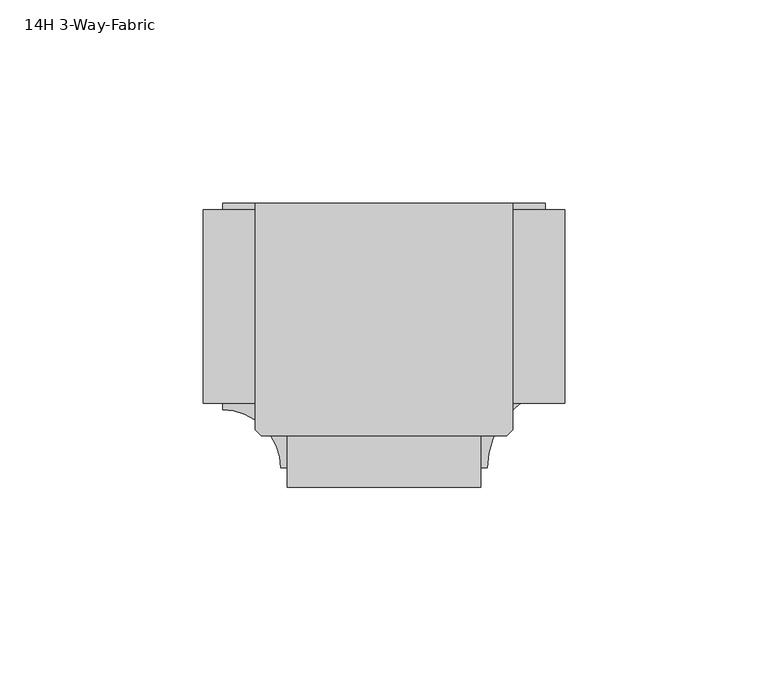
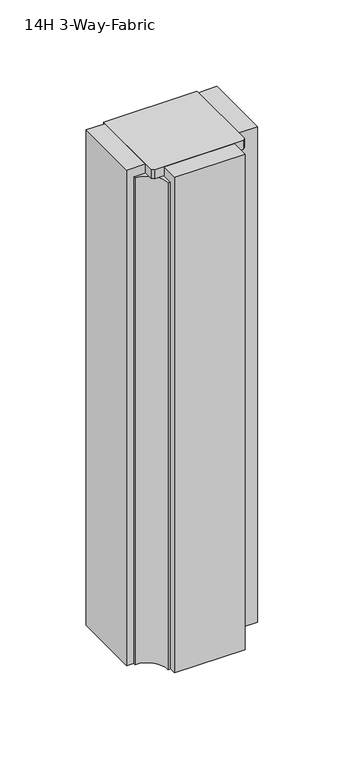
"""IFC4 building model written with IfcOpenShell, lengths in millimetres: furniture geometry, 14H 3-Way-Fabric."""

from ifc_helpers import new_model, si_unit, point, frame, frame_2d, origin, place, context, project, spatial, polyline, circle_curve, trimmed, segment, composite_curve, outline, extrude, source, transform, mapped, element, save


def furniture_14h_3_way_fabric_895e76d0(model_context):
    return source(origin(), model_context, "Body", "SweptSolid", [
        extrude(outline(composite_curve([segment(polyline([(-25.3746003, 39.913307), (38.0746041, 39.913307), (38.0746041, -15.7597835)]), True, "CONTINUOUS"), segment(trimmed(circle_curve(frame_2d((50.8000038, -29.9360586)), 19.0500019), [point((38.0746041, -15.7597835))], [point((36.6009699, -17.2360582))], True, "CARTESIAN"), True, "CONTINUOUS"), segment(polyline([(36.6009699, -17.2360582), (-23.9009661, -17.2360582)]), True, "CONTINUOUS"), segment(trimmed(circle_curve(frame_2d((-38.1, -29.9360586)), 19.0500019), [point((-23.9009661, -17.2360582))], [point((-25.3746003, -15.7597835))], True, "CARTESIAN"), True, "CONTINUOUS"), segment(polyline([(-25.3746003, -15.7597835), (-25.3746003, 39.913307)]), True, "CONTINUOUS")], self_intersect=False)), frame((0.0, 0.0, 1349.3749758), z_axis=(0.0, 0.0, 1.0), x_axis=(1.0, 0.0, 0.0)), (0.0, 0.0, 1.0), 6.3500242),
        extrude(outline(polyline([(50.8000038, 38.3264399), (50.8000038, -9.2985579), (38.0746041, -9.2985579), (38.0746041, 38.3264399), (50.8000038, 38.3264399)])), frame((0.0, 0.0, 1000.125), z_axis=(0.0, 0.0, 1.0), x_axis=(1.0, 0.0, 0.0)), (0.0, 0.0, 1.0), 355.6),
        extrude(outline(polyline([(-17.4624981, -17.2360582), (30.1625019, -17.2360582), (30.1625019, -29.9360586), (-17.4624981, -29.9360586), (-17.4624981, -17.2360582)])), frame((0.0, 0.0, 1000.125), z_axis=(0.0, 0.0, 1.0), x_axis=(1.0, 0.0, 0.0)), (0.0, 0.0, 1.0), 355.6),
        extrude(outline(polyline([(-38.1, 38.3264399), (-25.3746003, 38.3264399), (-25.3746003, -9.2985579), (-38.1, -9.2985579), (-38.1, 38.3264399)])), frame((0.0, 0.0, 1000.125), z_axis=(0.0, 0.0, 1.0), x_axis=(1.0, 0.0, 0.0)), (0.0, 0.0, 1.0), 355.6),
        extrude(outline(composite_curve([segment(polyline([(46.0375038, 39.913307), (46.0375038, -6.3761419)]), True, "CONTINUOUS"), segment(trimmed(circle_curve(frame_2d((51.2592062, -25.1735586)), 19.5092043), [point((46.0375038, -6.3761419))], [point((31.7500019, -25.1735586))], True, "CARTESIAN"), True, "CONTINUOUS"), segment(polyline([(31.7500019, -25.1735586), (-19.0499981, -25.1735586)]), True, "CONTINUOUS"), segment(trimmed(circle_curve(frame_2d((-33.3375, -25.1735586)), 14.2875019), [point((-19.0499981, -25.1735586))], [point((-33.3375, -10.8860567))], True, "CARTESIAN"), True, "CONTINUOUS"), segment(polyline([(-33.3375, -10.8860567), (-33.3375, 39.913307), (46.0375038, 39.913307)]), True, "CONTINUOUS")], self_intersect=False)), frame((0.0, 0.0, 1000.125), z_axis=(0.0, 0.0, 1.0), x_axis=(1.0, 0.0, 0.0)), (0.0, 0.0, 1.0), 349.2499758),
    ])


if __name__ == "__main__":
    model = new_model("IFC4")
    model_context = context("Model", 3, world=origin())
    ifc_project = project(units=[si_unit("LENGTHUNIT", "METRE", prefix="MILLI")], contexts=[model_context])
    site = spatial("IfcSite", under=ifc_project)
    building = spatial("IfcBuilding", under=site)
    placement = place(None, origin())
    furniture_14h_3_way_fabric_shape = furniture_14h_3_way_fabric_895e76d0(model_context)
    element("IfcFurniture", 1, ObjectType="14H 3-Way-Fabric", at=placement, inside=building, context=model_context, shape_type="MappedRepresentation", body=[
        mapped(furniture_14h_3_way_fabric_shape, transform((0.0, 0.0, 0.0), x_axis=(1.0, 0.0, 0.0), y_axis=(0.0, 1.0, 0.0), z_axis=(0.0, 0.0, 1.0))),
    ])
    save(model, "model.ifc")
